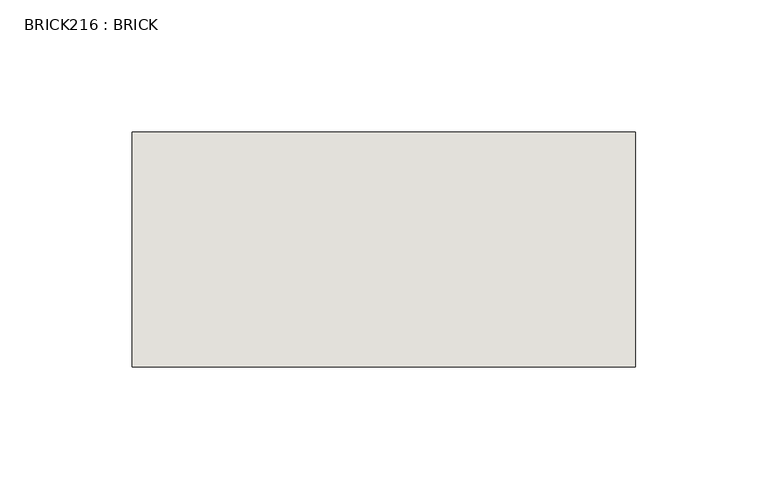
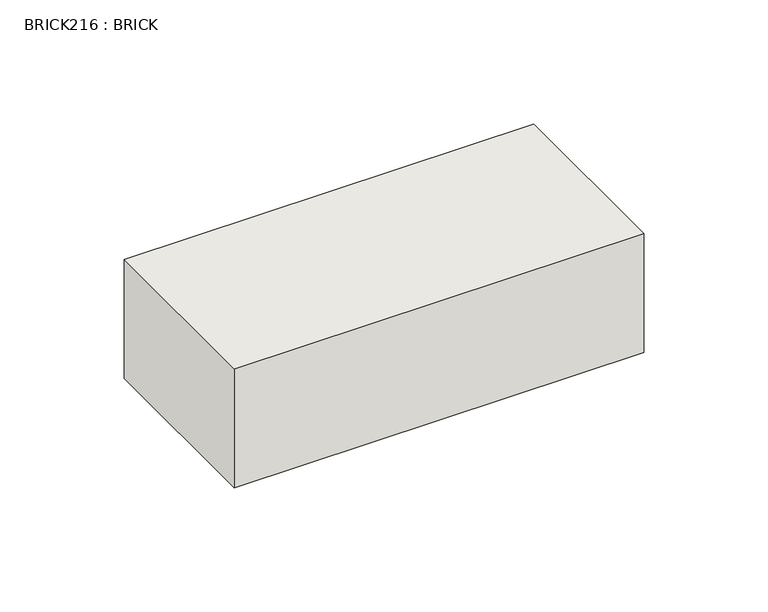
"""IFC4 building model written with IfcOpenShell, lengths in millimetres: wall geometry, BRICK216 : BRICK."""

from ifc_helpers import new_model, si_unit, frame, origin, place, context, project, spatial, polyline, outline, extrude, source, transform, mapped, element, save


def brick216_brick_0d7c7efb(model_context):
    return source(origin(), model_context, "Body", "SweptSolid", [
        extrude(outline(polyline([(-1074.6574357, 3062.3923312), (-884.1574357, 3062.3923312), (-884.1574357, 2973.4923312), (-1074.6574357, 2973.4923312), (-1074.6574357, 3062.3923312)])), frame((0.0, 0.0, 423.2671875), z_axis=(0.0, 0.0, 1.0), x_axis=(1.0, 0.0, 0.0)), (0.0, 0.0, 1.0), 58.4398437),
    ])


if __name__ == "__main__":
    model = new_model("IFC4")
    model_context = context("Model", 3, world=origin())
    ifc_project = project(units=[si_unit("LENGTHUNIT", "METRE", prefix="MILLI")], contexts=[model_context])
    site = spatial("IfcSite", under=ifc_project)
    building = spatial("IfcBuilding", under=site)
    placement = place(None, origin())
    brick216_brick_shape = brick216_brick_0d7c7efb(model_context)
    element("IfcWall", 1, ObjectType="BRICK216 : BRICK", at=placement, inside=building, context=model_context, shape_type="MappedRepresentation", body=[
        mapped(brick216_brick_shape, transform((0.0, 0.0, 0.0), x_axis=(1.0, 0.0, 0.0), y_axis=(0.0, 1.0, 0.0), z_axis=(0.0, 0.0, 1.0))),
    ])
    save(model, "model.ifc")
